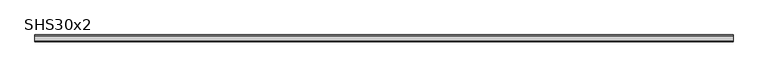
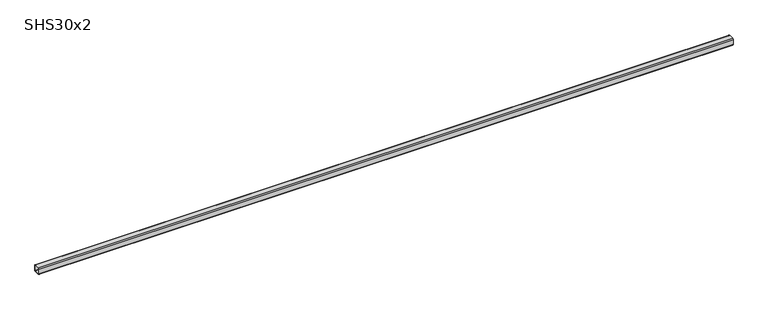
"""IFC4 building model written with IfcOpenShell, lengths in millimetres: beam geometry, SHS30x2."""

from ifc_helpers import new_model, si_unit, point, frame, frame_2d, origin, place, context, project, spatial, polyline, circle_curve, trimmed, segment, composite_curve, outline, extrude, source, transform, mapped, element, save


def shs30x2_98c1c758(model_context):
    return source(origin(), model_context, "Body", "SweptSolid", [
        extrude(outline(composite_curve([segment(polyline([(15.0, 11.0), (15.0, -11.0)]), True, "CONTINUOUS"), segment(trimmed(circle_curve(frame_2d((11.0, -11.0)), 4.0), [point((15.0, -11.0))], [point((11.0, -15.0))], False, "CARTESIAN"), True, "CONTINUOUS"), segment(polyline([(11.0, -15.0), (-11.0, -15.0)]), True, "CONTINUOUS"), segment(trimmed(circle_curve(frame_2d((-11.0, -11.0)), 4.0), [point((-11.0, -15.0))], [point((-15.0, -11.0))], False, "CARTESIAN"), True, "CONTINUOUS"), segment(polyline([(-15.0, -11.0), (-15.0, 11.0)]), True, "CONTINUOUS"), segment(trimmed(circle_curve(frame_2d((-11.0, 11.0)), 4.0), [point((-15.0, 11.0))], [point((-11.0, 15.0))], False, "CARTESIAN"), True, "CONTINUOUS"), segment(polyline([(-11.0, 15.0), (11.0, 15.0)]), True, "CONTINUOUS"), segment(trimmed(circle_curve(frame_2d((11.0, 11.0)), 4.0), [point((11.0, 15.0))], [point((15.0, 11.0))], False, "CARTESIAN"), True, "CONTINUOUS")], self_intersect=False), holes=[composite_curve([segment(trimmed(circle_curve(frame_2d((-11.0, 11.0)), 2.0), [point((-11.0, 13.0))], [point((-13.0, 11.0))], True, "CARTESIAN"), True, "CONTINUOUS"), segment(polyline([(-13.0, 11.0), (-13.0, -11.0)]), True, "CONTINUOUS"), segment(trimmed(circle_curve(frame_2d((-11.0, -11.0)), 2.0), [point((-13.0, -11.0))], [point((-11.0, -13.0))], True, "CARTESIAN"), True, "CONTINUOUS"), segment(polyline([(-11.0, -13.0), (11.0, -13.0)]), True, "CONTINUOUS"), segment(trimmed(circle_curve(frame_2d((11.0, -11.0)), 2.0), [point((11.0, -13.0))], [point((13.0, -11.0))], True, "CARTESIAN"), True, "CONTINUOUS"), segment(polyline([(13.0, -11.0), (13.0, 11.0)]), True, "CONTINUOUS"), segment(trimmed(circle_curve(frame_2d((11.0, 11.0)), 2.0), [point((13.0, 11.0))], [point((11.0, 13.0))], True, "CARTESIAN"), True, "CONTINUOUS"), segment(polyline([(11.0, 13.0), (-11.0, 13.0)]), True, "CONTINUOUS")], self_intersect=False)]), frame((-1527.5, 0.0, 0.0), z_axis=(1.0, 0.0, 0.0), x_axis=(0.0, 1.0, 0.0)), (0.0, 0.0, 1.0), 3021.0),
    ])


if __name__ == "__main__":
    model = new_model("IFC4")
    model_context = context("Model", 3, world=origin())
    ifc_project = project(units=[si_unit("LENGTHUNIT", "METRE", prefix="MILLI")], contexts=[model_context])
    site = spatial("IfcSite", under=ifc_project)
    building = spatial("IfcBuilding", under=site)
    placement = place(None, origin())
    shs30x2_shape = shs30x2_98c1c758(model_context)
    element("IfcBeam", 1, ObjectType="SHS30x2", at=placement, inside=building, context=model_context, shape_type="MappedRepresentation", body=[
        mapped(shs30x2_shape, transform((0.0, 0.0, 0.0), x_axis=(1.0, 0.0, 0.0), y_axis=(0.0, 1.0, 0.0), z_axis=(0.0, 0.0, 1.0))),
    ])
    save(model, "model.ifc")
